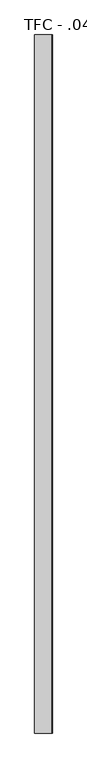
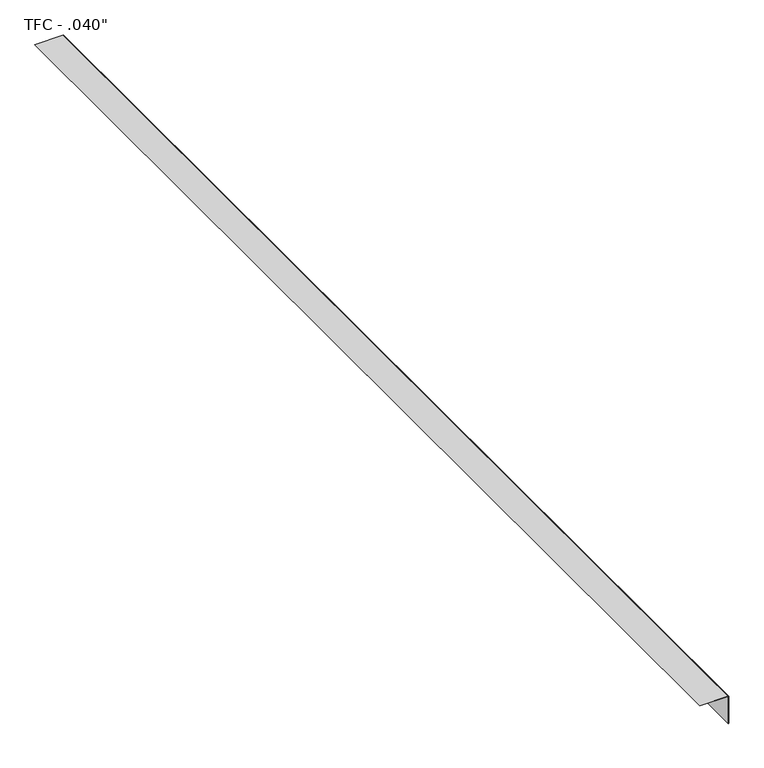
"""IFC4 building model written with IfcOpenShell, lengths in millimetres: proxy geometry."""

from ifc_helpers import new_model, si_unit, point, frame, frame_2d, origin, place, context, project, spatial, polyline, circle_curve, trimmed, segment, composite_curve, outline, extrude, source, transform, mapped, element, save


def proxy_df688eff(model_context):
    return source(origin(), model_context, "Body", "SweptSolid", [
        extrude(outline(composite_curve([segment(polyline([(1.016, -75.184), (0.0, -75.184), (0.0, -2.8328994)]), True, "CONTINUOUS"), segment(trimmed(circle_curve(frame_2d((-2.8328994, -2.8328994)), 2.8328994), [point((0.0, -2.8328994))], [point((-2.8328994, 0.0))], True, "CARTESIAN"), True, "CONTINUOUS"), segment(polyline([(-2.8328994, 0.0), (-75.184, 0.0), (-75.184, 1.016), (-1.8168994, 1.016)]), True, "CONTINUOUS"), segment(trimmed(circle_curve(frame_2d((-1.8168994, -1.8168994)), 2.8328994), [point((-1.8168994, 1.016))], [point((1.016, -1.8168994))], False, "CARTESIAN"), True, "CONTINUOUS"), segment(polyline([(1.016, -1.8168994), (1.016, -75.184)]), True, "CONTINUOUS")], self_intersect=False)), frame((0.0, -1141.4125, 0.0), z_axis=(0.0, 1.0, 0.0), x_axis=(0.0, 0.0, 1.0)), (0.0, 0.0, 1.0), 3021.0125),
    ])


if __name__ == "__main__":
    model = new_model("IFC4")
    model_context = context("Model", 3, world=origin())
    ifc_project = project(units=[si_unit("LENGTHUNIT", "METRE", prefix="MILLI")], contexts=[model_context])
    site = spatial("IfcSite", under=ifc_project)
    building = spatial("IfcBuilding", under=site)
    placement = place(None, origin())
    proxy_shape = proxy_df688eff(model_context)
    element("IfcBuildingElementProxy", 1, Name="TFC - .040\"", ObjectType="TFC - .040\"", at=placement, inside=building, context=model_context, shape_type="MappedRepresentation", body=[
        mapped(proxy_shape, transform((0.0, 0.0, 0.0), x_axis=(1.0, 0.0, 0.0), y_axis=(0.0, 1.0, 0.0), z_axis=(0.0, 0.0, 1.0))),
    ])
    save(model, "model.ifc")
